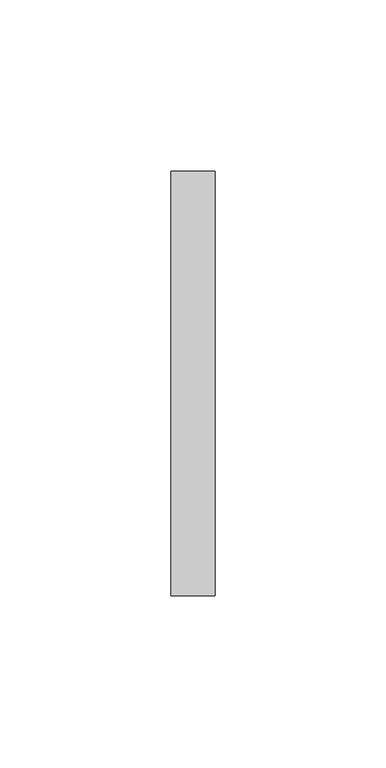
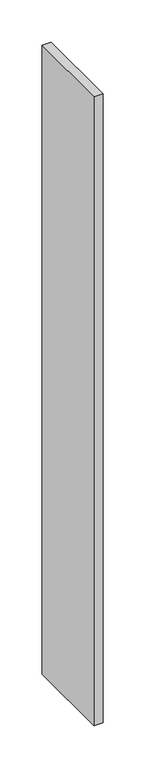
"""IFC4 building model written with IfcOpenShell, lengths in millimetres: proxy geometry."""

from ifc_helpers import new_model, si_unit, frame, origin, place, context, project, spatial, polyline, outline, extrude, source, transform, mapped, element, save


def generic_models_85f2792d(model_context):
    return source(origin(), model_context, "Body", "SweptSolid", [
        extrude(outline(polyline([(37351.2710168, -23928.8554213), (37351.2710168, -24052.6529893), (37338.5710168, -24052.6529893), (37338.5710168, -23928.8554213), (37351.2710168, -23928.8554213)])), frame((0.0, 0.0, 1524.0), z_axis=(0.0, 0.0, 1.0), x_axis=(1.0, 0.0, 0.0)), (0.0, 0.0, 1.0), 914.4),
    ])


if __name__ == "__main__":
    model = new_model("IFC4")
    model_context = context("Model", 3, world=origin())
    ifc_project = project(units=[si_unit("LENGTHUNIT", "METRE", prefix="MILLI")], contexts=[model_context])
    site = spatial("IfcSite", under=ifc_project)
    building = spatial("IfcBuilding", under=site)
    placement = place(None, origin())
    generic_models_shape = generic_models_85f2792d(model_context)
    element("IfcBuildingElementProxy", 1, Name="Generic Models", at=placement, inside=building, context=model_context, shape_type="MappedRepresentation", body=[
        mapped(generic_models_shape, transform((0.0, 0.0, 0.0), x_axis=(1.0, 0.0, 0.0), y_axis=(0.0, 1.0, 0.0), z_axis=(0.0, 0.0, 1.0))),
    ])
    save(model, "model.ifc")
